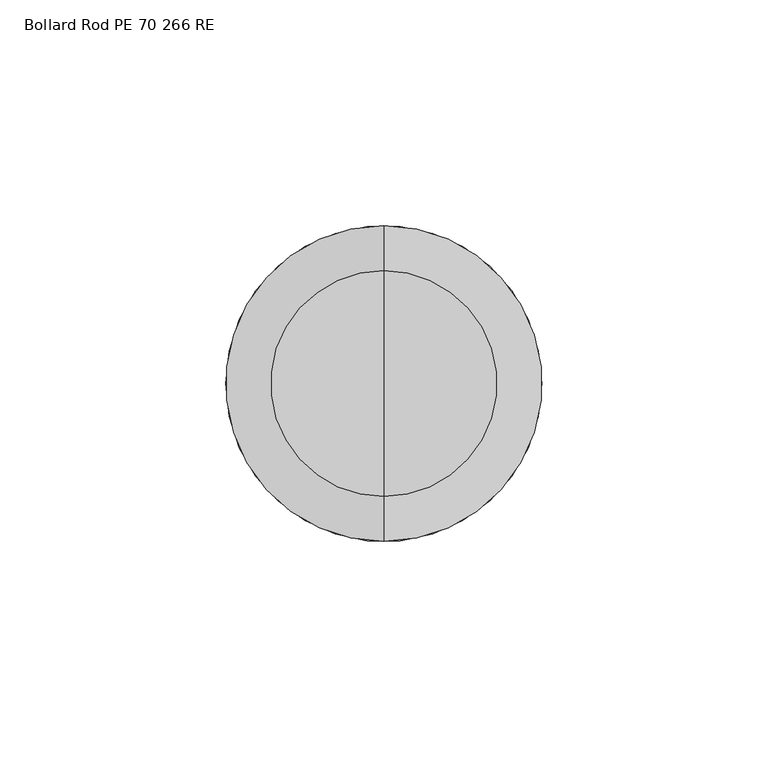
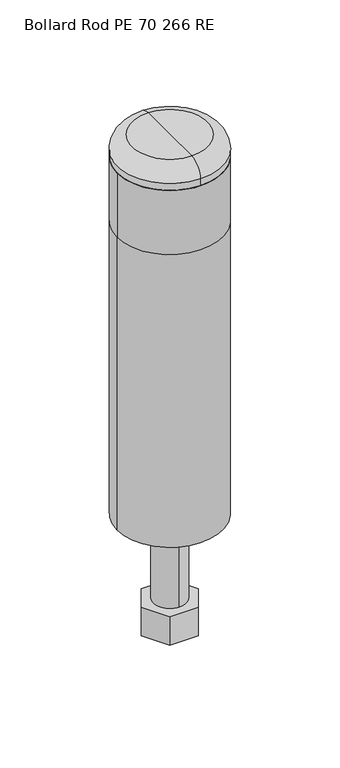
"""IFC4 building model written with IfcOpenShell, lengths in millimetres: proxy geometry, Bollard Rod PE 70 266 RE."""

import ifcopenshell
import ifcopenshell.guid

model = None  # the IFC model being written
_history = None  # IfcOwnerHistory: only IFC2X3 demands one
_inside = {}  # id of a spatial element -> (the spatial element, [elements in it])
_under = {}  # id of a project, library or spatial element -> (it, [spatial elements below it])
_declared = {}  # id of a project -> (the project, [libraries it declares])
_typed = {}  # id of a type object -> (the type object, [elements of that type])
_made_of = {}  # id of a material, layer set ... -> (it, [elements and type objects made of it])


def new_model(schema):
    """Start an empty IFC model of exactly this schema.

    Asked for "IFC4X3", IfcOpenShell would pick the latest addendum, in which some entities
    have other attributes; the version numbers below select the first issue.
    IFC2X3 requires an IfcOwnerHistory on every rooted entity: one is made here for all.
    """
    global model, _history
    if schema == "IFC4X3":
        model = ifcopenshell.file(schema_version=(4, 3, 0, 0))
    else:
        model = ifcopenshell.file(schema=schema)
    _inside.clear()
    _under.clear()
    _declared.clear()
    _typed.clear()
    _made_of.clear()
    _history = None
    if model.schema == "IFC2X3":
        org = make("IfcOrganization", Name="unknown")
        user = make(
            "IfcPersonAndOrganization",
            ThePerson=make("IfcPerson", FamilyName="unknown"),
            TheOrganization=org,
        )
        app = make(
            "IfcApplication",
            ApplicationDeveloper=org,
            Version="unknown",
            ApplicationFullName="unknown",
            ApplicationIdentifier="unknown",
        )
        _history = make(
            "IfcOwnerHistory",
            OwningUser=user,
            OwningApplication=app,
            ChangeAction="ADDED",
            CreationDate=0,
        )
    return model


def make(cls, **values):
    """One entity of the class cls with the attributes given. An attribute that is None is left unset."""
    return model.create_entity(
        cls, **{name: value for name, value in values.items() if value is not None}
    )


def rooted(cls, **values):
    """An entity with a GlobalId (a new one), such as an element, a storey or a relation."""
    return make(cls, GlobalId=ifcopenshell.guid.new(), OwnerHistory=_history, **values)


def si_unit(unit_type, name, prefix=None):
    """IfcSIUnit, for example si_unit("LENGTHUNIT", "METRE", prefix="MILLI")."""
    return make("IfcSIUnit", UnitType=unit_type, Prefix=prefix, Name=name)


def assignment(units):
    """IfcUnitAssignment: the units of a project."""
    return None if units is None else make("IfcUnitAssignment", Units=units)


def point(xyz):
    """IfcCartesianPoint."""
    return None if xyz is None else make("IfcCartesianPoint", Coordinates=xyz)


def direction(xyz):
    """IfcDirection."""
    return None if xyz is None else make("IfcDirection", DirectionRatios=xyz)


def frame(location, z_axis=None, x_axis=None):
    """IfcAxis2Placement3D, a coordinate frame: its origin and axes. An axis left out is left unset."""
    return make(
        "IfcAxis2Placement3D",
        Location=point(location),
        Axis=direction(z_axis),
        RefDirection=direction(x_axis),
    )


def frame_2d(location, x_axis=None):
    """IfcAxis2Placement2D, a coordinate frame in the plane: its origin and x axis."""
    return make(
        "IfcAxis2Placement2D", Location=point(location), RefDirection=direction(x_axis)
    )


def origin():
    """The frame at (0, 0, 0) with its axes left unset."""
    return frame((0.0, 0.0, 0.0))


def origin_with_axes():
    """The frame at (0, 0, 0) with the z axis (0, 0, 1) and the x axis (1, 0, 0) written out."""
    return frame((0.0, 0.0, 0.0), z_axis=(0.0, 0.0, 1.0), x_axis=(1.0, 0.0, 0.0))


def origin_2d():
    """The frame at (0, 0) in the plane with its x axis left unset."""
    return frame_2d((0.0, 0.0))


def place(relative_to, where):
    """IfcLocalPlacement: puts the frame where relative to a parent placement (None: the world)."""
    return make(
        "IfcLocalPlacement", PlacementRelTo=relative_to, RelativePlacement=where
    )


def context(
    kind, dimensions, precision=None, world=None, true_north=None, identifier=None
):
    """IfcGeometricRepresentationContext, for example the 3D "Model" context."""
    return make(
        "IfcGeometricRepresentationContext",
        ContextIdentifier=identifier,
        ContextType=kind,
        CoordinateSpaceDimension=dimensions,
        Precision=precision,
        WorldCoordinateSystem=world,
        TrueNorth=true_north,
    )


def project(units=None, contexts=None):
    """IfcProject with its units and contexts."""
    return rooted(
        "IfcProject",
        Name="project",
        RepresentationContexts=contexts,
        UnitsInContext=assignment(units),
    )


def spatial(cls, under=None, at=None, **own):
    """A site, building, storey or space (cls), placed at a placement, below another one or the project."""
    s = rooted(cls, ObjectPlacement=at, **own)
    if under is not None:
        _under.setdefault(under.id(), (under, []))[1].append(s)
    return s


def polyline(points):
    """IfcPolyline through the points."""
    return make("IfcPolyline", Points=[point(p) for p in points])


def circle_curve(where, radius):
    """IfcCircle in the frame where."""
    return make("IfcCircle", Position=where, Radius=radius)


def ellipse_curve(where, semi_axis1, semi_axis2):
    """IfcEllipse in the frame where."""
    return make(
        "IfcEllipse", Position=where, SemiAxis1=semi_axis1, SemiAxis2=semi_axis2
    )


def trimmed(basis, trim1, trim2, sense, master):
    """IfcTrimmedCurve: the piece of a basis curve between two trims."""
    return make(
        "IfcTrimmedCurve",
        BasisCurve=basis,
        Trim1=trim1,
        Trim2=trim2,
        SenseAgreement=sense,
        MasterRepresentation=master,
    )


def segment(curve, same_sense, transition):
    """IfcCompositeCurveSegment."""
    return make(
        "IfcCompositeCurveSegment",
        Transition=transition,
        SameSense=same_sense,
        ParentCurve=curve,
    )


def composite_curve(segments, self_intersect=None):
    """IfcCompositeCurve: segments joined end to end."""
    return make("IfcCompositeCurve", Segments=segments, SelfIntersect=self_intersect)


def outline(outer, holes=None, kind="AREA"):
    """IfcArbitraryClosedProfileDef: a profile drawn as a closed curve; with holes, ...WithVoids."""
    if holes is None:
        return make("IfcArbitraryClosedProfileDef", ProfileType=kind, OuterCurve=outer)
    return make(
        "IfcArbitraryProfileDefWithVoids",
        ProfileType=kind,
        OuterCurve=outer,
        InnerCurves=holes,
    )


def extrude(swept, where, along, depth):
    """IfcExtrudedAreaSolid: the profile swept, set in the frame where, extruded along a direction by depth."""
    return make(
        "IfcExtrudedAreaSolid",
        SweptArea=swept,
        Position=where,
        ExtrudedDirection=direction(along),
        Depth=depth,
    )


def shape(context_of_items, identifier, shape_type, items):
    """IfcShapeRepresentation: the items that make up one representation, for example the "Body"."""
    return make(
        "IfcShapeRepresentation",
        ContextOfItems=context_of_items,
        RepresentationIdentifier=identifier,
        RepresentationType=shape_type,
        Items=items,
    )


def source(mapping_origin, context_of_items, identifier, shape_type, items):
    """IfcRepresentationMap: a shape defined once, which mapped items show again and again."""
    return make(
        "IfcRepresentationMap",
        MappingOrigin=mapping_origin,
        MappedRepresentation=shape(context_of_items, identifier, shape_type, items),
    )


def transform(
    local_origin,
    x_axis=None,
    y_axis=None,
    z_axis=None,
    scale=None,
    scale2=None,
    scale3=None,
    uniform=True,
):
    """IfcCartesianTransformationOperator3D, or its non-uniform kind. x_axis, y_axis, z_axis: its Axis1, 2, 3."""
    if uniform:
        return make(
            "IfcCartesianTransformationOperator3D",
            Axis1=direction(x_axis),
            Axis2=direction(y_axis),
            LocalOrigin=point(local_origin),
            Scale=scale,
            Axis3=direction(z_axis),
        )
    return make(
        "IfcCartesianTransformationOperator3DnonUniform",
        Axis1=direction(x_axis),
        Axis2=direction(y_axis),
        LocalOrigin=point(local_origin),
        Scale=scale,
        Axis3=direction(z_axis),
        Scale2=scale2,
        Scale3=scale3,
    )


def mapped(mapping_source, mapping_target):
    """IfcMappedItem: shows the shape of a source again, moved by a transform."""
    return make(
        "IfcMappedItem", MappingSource=mapping_source, MappingTarget=mapping_target
    )


def made_of(thing, what):
    """Note that an element or type object is made of a material, layer set ...; save() writes the relation."""
    if what is not None:
        _made_of.setdefault(what.id(), (what, []))[1].append(thing)
    return thing


def element(
    cls,
    number,
    at=None,
    inside=None,
    cuts=None,
    type_object=None,
    material=None,
    context=None,
    identifier="Body",
    shape_type=None,
    held_by="IfcProductDefinitionShape",
    body=None,
    shapes=None,
    **own,
):
    """One element of the class cls, such as IfcWall. Its Tag is "e" and its number.

    at: its placement. inside: the storey or other place that contains it. cuts: it is an
    opening in that element (IfcRelVoidsElement). A single representation is given by context,
    identifier, shape_type and body (its items); several are given by shapes. held_by: the class
    of the entity that holds the representations. save() writes the other relations.
    """
    e = rooted(cls, Tag="e%d" % number, ObjectPlacement=at, **own)
    if body is not None:
        shapes = [shape(context, identifier, shape_type, body)]
    if shapes is not None:
        e.Representation = make(held_by, Representations=shapes)
    if inside is not None:
        _inside.setdefault(inside.id(), (inside, []))[1].append(e)
    if cuts is not None:
        rooted(
            "IfcRelVoidsElement", RelatingBuildingElement=cuts, RelatedOpeningElement=e
        )
    if type_object is not None:
        _typed.setdefault(type_object.id(), (type_object, []))[1].append(e)
    return made_of(e, material)


def aggregate(whole, parts):
    """IfcRelAggregates: a whole, such as a stair, and the parts it consists of."""
    return rooted("IfcRelAggregates", RelatingObject=whole, RelatedObjects=parts)


def save(model, path):
    """Write the relations noted so far, then the file.

    IfcRelAggregates (storeys below a building ...), IfcRelContainedInSpatialStructure (elements
    in a storey), IfcRelDefinesByType, IfcRelAssociatesMaterial and IfcRelDeclares: one each for
    every whole, place, type object, material and project.
    """
    for whole, parts in _under.values():
        aggregate(whole, parts)
    for where, things in _inside.values():
        rooted(
            "IfcRelContainedInSpatialStructure",
            RelatedElements=things,
            RelatingStructure=where,
        )
    for kind, things in _typed.values():
        rooted("IfcRelDefinesByType", RelatedObjects=things, RelatingType=kind)
    for what, things in _made_of.values():
        rooted("IfcRelAssociatesMaterial", RelatedObjects=things, RelatingMaterial=what)
    for by, libraries in _declared.values():
        rooted("IfcRelDeclares", RelatingContext=by, RelatedDefinitions=libraries)
    model.write(path)


def plane_surface(at):
    """IfcPlane: the flat surface through the origin of the frame at, square to its z axis."""
    return make("IfcPlane", Position=at)


def cylinder_surface(at, radius):
    """IfcCylindricalSurface: all points at the distance radius from the z axis of the frame at."""
    return make("IfcCylindricalSurface", Position=at, Radius=radius)


def revolved_surface(curve, axis_point, axis_direction):
    """IfcSurfaceOfRevolution: the curve turned about the line through axis_point along axis_direction."""
    return make(
        "IfcSurfaceOfRevolution",
        SweptCurve=make("IfcArbitraryOpenProfileDef", ProfileType="CURVE", Curve=curve),
        AxisPosition=make("IfcAxis1Placement", Location=point(axis_point), Axis=direction(axis_direction)),
    )


def advanced_brep(points, edges, surfaces, faces):
    """IfcAdvancedBrep: a solid bounded by faces that lie on surfaces and meet in shared edges.

    An edge is (start, end): straight between two places in points (the first is 0);
    or (start, end, curve); or (start, end, curve, False) where it runs against its curve.
    A face is (place in surfaces, loops), or (place, loops, False) where it looks against
    its surface's normal. A loop lists edges by number (the first is 1), with a minus sign
    where the edge is run from its end to its start. The first loop is the outer one.
    """
    corners = [point(p) for p in points]
    vertices = [make("IfcVertexPoint", VertexGeometry=c) for c in corners]
    made = []
    for start, end, *more in edges:
        made.append(
            make(
                "IfcEdgeCurve",
                EdgeStart=vertices[start],
                EdgeEnd=vertices[end],
                EdgeGeometry=more[0] if more else make("IfcPolyline", Points=[corners[start], corners[end]]),
                SameSense=more[1] if len(more) > 1 else True,
            )
        )
    hull = []
    for where, loops, *sense in faces:
        bounds = []
        for j, loop in enumerate(loops):
            ring = [make("IfcOrientedEdge", EdgeElement=made[abs(k) - 1], Orientation=k > 0) for k in loop]
            bounds.append(
                make(
                    "IfcFaceOuterBound" if j == 0 else "IfcFaceBound",
                    Bound=make("IfcEdgeLoop", EdgeList=ring),
                    Orientation=True,
                )
            )
        hull.append(make("IfcAdvancedFace", Bounds=bounds, FaceSurface=surfaces[where], SameSense=sense[0] if sense else True))
    return make("IfcAdvancedBrep", Outer=make("IfcClosedShell", CfsFaces=hull))


def bollard_rod_pe_70_266_re_b91f8a20(model_context):
    return source(origin(), model_context, "Body", "SolidModel", [
        advanced_brep(
        [(35.0, 0.0, 251.0), (-35.0, 0.0, 251.0), (25.0, 0.0, 251.0), (-25.0, 0.0, 251.0), (35.0, 0.0, 206.0), (-35.0, 0.0, 206.0), (25.0, 0.0, 206.0), (-25.0, 0.0, 206.0), (-10.0, 0.0, 206.0), (10.0, 0.0, 206.0), (-35.0, 0.0, 0.0), (35.0, 0.0, 0.0), (-10.0, 0.0, 0.0), (10.0, 0.0, 0.0)],
        [
            (0, 1, circle_curve(frame((0.0, 0.0, 251.0), z_axis=(0.0, 0.0, 1.0), x_axis=(-1.0, 0.0, 0.0)), 35.0)),
            (1, 0, circle_curve(frame((0.0, 0.0, 251.0), z_axis=(0.0, 0.0, 1.0), x_axis=(-1.0, 0.0, 0.0)), 35.0)),
            (2, 3, circle_curve(frame((0.0, 0.0, 251.0), z_axis=(0.0, 0.0, -1.0), x_axis=(-1.0, 0.0, 0.0)), 25.0)),
            (3, 2, circle_curve(frame((0.0, 0.0, 251.0), z_axis=(0.0, 0.0, -1.0), x_axis=(-1.0, 0.0, 0.0)), 25.0)),
            (0, 4),
            (4, 5, circle_curve(frame((0.0, 0.0, 206.0), z_axis=(0.0, 0.0, 1.0), x_axis=(-1.0, 0.0, 0.0)), 35.0)),
            (5, 1),
            (5, 4, circle_curve(frame((0.0, 0.0, 206.0), z_axis=(0.0, 0.0, 1.0), x_axis=(-1.0, 0.0, 0.0)), 35.0)),
            (2, 6),
            (6, 7, circle_curve(frame((0.0, 0.0, 206.0), z_axis=(0.0, 0.0, -1.0), x_axis=(-1.0, 0.0, 0.0)), 25.0)),
            (7, 3),
            (7, 6, circle_curve(frame((0.0, 0.0, 206.0), z_axis=(0.0, 0.0, -1.0), x_axis=(-1.0, 0.0, 0.0)), 25.0)),
            (8, 9, circle_curve(frame((0.0, 0.0, 206.0), z_axis=(0.0, 0.0, -1.0), x_axis=(1.0, 0.0, 0.0)), 10.0)),
            (9, 8, circle_curve(frame((0.0, 0.0, 206.0), z_axis=(0.0, 0.0, -1.0), x_axis=(1.0, 0.0, 0.0)), 10.0)),
            (10, 11, circle_curve(frame((0.0, 0.0, 0.0), z_axis=(0.0, 0.0, -1.0), x_axis=(1.0, 0.0, 0.0)), 35.0)),
            (11, 10, circle_curve(frame((0.0, 0.0, 0.0), z_axis=(0.0, 0.0, -1.0), x_axis=(1.0, 0.0, 0.0)), 35.0)),
            (12, 13, circle_curve(origin_with_axes(), 10.0)),
            (13, 12, circle_curve(origin_with_axes(), 10.0)),
            (11, 4),
            (5, 10),
            (8, 12),
            (13, 9),
        ],
        [
            plane_surface(frame((-35.0, 0.0, 251.0), z_axis=(0.0, 0.0, 1.0), x_axis=(0.0, -1.0, 0.0))),
            cylinder_surface(frame((0.0, 0.0, 206.0), z_axis=(0.0, 0.0, 1.0), x_axis=(-1.0, 0.0, 0.0)), 35.0),
            revolved_surface(polyline([(-25.0, 0.0, 206.0), (-25.0, 0.0, 251.0)]), (0.0, 0.0, 206.0), (0.0, 0.0, -1.0)),
            plane_surface(frame((35.0, 0.0, 206.0), z_axis=(0.0, 0.0, 1.0), x_axis=(0.0, 1.0, 0.0))),
            plane_surface(frame((35.0, 0.0, 0.0), z_axis=(0.0, 0.0, -1.0), x_axis=(0.0, -1.0, 0.0))),
            cylinder_surface(origin_with_axes(), 35.0),
            revolved_surface(polyline([(10.0, 0.0, 0.0), (10.0, 0.0, 206.0)]), (0.0, 0.0, 0.0), (0.0, 0.0, -1.0)),
        ],
        [
            (0, [[1, 2], [3, 4]]),
            (1, [[-1, 5, 6, 7]]),
            (1, [[-2, -7, 8, -5]]),
            (2, [[-3, 9, 10, 11]]),
            (2, [[-4, -11, 12, -9]]),
            (3, [[-10, -12], [13, 14]]),
            (4, [[15, 16], [17, 18]]),
            (5, [[-16, 19, -8, 20]]),
            (5, [[-15, -20, -6, -19]]),
            (6, [[-13, 21, -18, 22]]),
            (6, [[-14, -22, -17, -21]]),
        ],
    ),
        extrude(outline(polyline([(9.5, 16.4544827), (19.0, 0.0), (9.5, -16.4544827), (-9.5, -16.4544827), (-19.0, 0.0), (-9.5, 16.4544827), (9.5, 16.4544827)]), holes=[composite_curve([segment(trimmed(circle_curve(origin_2d(), 10.0), [point((0.0, 10.0))], [point((0.0, -10.0))], True, "CARTESIAN"), True, "CONTINUOUS"), segment(trimmed(circle_curve(origin_2d(), 10.0), [point((0.0, -10.0))], [point((0.0, 10.0))], True, "CARTESIAN"), True, "CONTINUOUS")], self_intersect=False)]), frame((0.0, 0.0, 208.0), z_axis=(0.0, 0.0, 1.0), x_axis=(1.0, 0.0, 0.0)), (0.0, 0.0, 1.0), 20.0),
        extrude(outline(composite_curve([segment(trimmed(circle_curve(origin_2d(), 20.0), [point((20.0, 0.0))], [point((-20.0, 0.0))], False, "CARTESIAN"), True, "CONTINUOUS"), segment(trimmed(circle_curve(origin_2d(), 20.0), [point((-20.0, 0.0))], [point((20.0, 0.0))], False, "CARTESIAN"), True, "CONTINUOUS")], self_intersect=False), holes=[composite_curve([segment(trimmed(circle_curve(origin_2d(), 10.0), [point((0.0, 10.0))], [point((0.0, -10.0))], True, "CARTESIAN"), True, "CONTINUOUS"), segment(trimmed(circle_curve(origin_2d(), 10.0), [point((0.0, -10.0))], [point((0.0, 10.0))], True, "CARTESIAN"), True, "CONTINUOUS")], self_intersect=False)]), frame((0.0, 0.0, 206.0), z_axis=(0.0, 0.0, 1.0), x_axis=(1.0, 0.0, 0.0)), (0.0, 0.0, 1.0), 2.0),
        extrude(outline(polyline([(9.5, 16.4544827), (19.0, 0.0), (9.5, -16.4544827), (-9.5, -16.4544827), (-19.0, 0.0), (-9.5, 16.4544827), (9.5, 16.4544827)]), holes=[composite_curve([segment(trimmed(circle_curve(origin_2d(), 10.0), [point((0.0, 10.0))], [point((0.0, -10.0))], True, "CARTESIAN"), True, "CONTINUOUS"), segment(trimmed(circle_curve(origin_2d(), 10.0), [point((0.0, -10.0))], [point((0.0, 10.0))], True, "CARTESIAN"), True, "CONTINUOUS")], self_intersect=False)]), frame((0.0, 0.0, -80.0), z_axis=(0.0, 0.0, 1.0), x_axis=(1.0, 0.0, 0.0)), (0.0, 0.0, 1.0), 20.0),
        extrude(outline(composite_curve([segment(trimmed(circle_curve(origin_2d(), 10.0), [point((0.0, 10.0))], [point((0.0, -10.0))], False, "CARTESIAN"), True, "CONTINUOUS"), segment(trimmed(circle_curve(origin_2d(), 10.0), [point((0.0, -10.0))], [point((0.0, 10.0))], False, "CARTESIAN"), True, "CONTINUOUS")], self_intersect=False)), frame((0.0, 0.0, -85.0), z_axis=(0.0, 0.0, 1.0), x_axis=(1.0, 0.0, 0.0)), (0.0, 0.0, 1.0), 321.0),
        extrude(outline(composite_curve([segment(trimmed(circle_curve(origin_2d(), 11.0), [point((0.0, -11.0))], [point((0.0, 11.0))], False, "CARTESIAN"), True, "CONTINUOUS"), segment(trimmed(circle_curve(origin_2d(), 11.0), [point((0.0, 11.0))], [point((0.0, -11.0))], False, "CARTESIAN"), True, "CONTINUOUS")], self_intersect=False), holes=[composite_curve([segment(trimmed(circle_curve(origin_2d(), 10.0), [point((0.0, -10.0))], [point((0.0, 10.0))], True, "CARTESIAN"), True, "CONTINUOUS"), segment(trimmed(circle_curve(origin_2d(), 10.0), [point((0.0, 10.0))], [point((0.0, -10.0))], True, "CARTESIAN"), True, "CONTINUOUS")], self_intersect=False)]), frame((0.0, 0.0, -60.0), z_axis=(0.0, 0.0, 1.0), x_axis=(1.0, 0.0, 0.0)), (0.0, 0.0, 1.0), 60.0),
        advanced_brep(
        [(0.0, 25.0, 266.0), (0.0, -25.0, 266.0), (0.0, 0.0, 266.0), (0.0, 35.0, 256.0), (0.0, -35.0, 256.0), (0.0, 35.0, 251.0), (0.0, -35.0, 251.0), (0.0, 0.0, 251.0), (0.0, -20.0, 251.0), (0.0, 20.0, 251.0), (0.0, 25.0, 251.0), (0.0, -25.0, 251.0), (0.0, 25.0, 241.0), (0.0, -25.0, 241.0), (0.0, 20.0, 241.0), (0.0, -20.0, 241.0)],
        [
            (0, 1, circle_curve(frame((0.0, 0.0, 266.0), z_axis=(0.0, 0.0, 1.0), x_axis=(0.0, -1.0, 0.0)), 25.0)),
            (1, 2),
            (2, 0),
            (1, 0, circle_curve(frame((0.0, 0.0, 266.0), z_axis=(0.0, 0.0, 1.0), x_axis=(0.0, -1.0, 0.0)), 25.0)),
            (3, 4, circle_curve(frame((0.0, 0.0, 256.0), z_axis=(0.0, 0.0, 1.0), x_axis=(0.0, -1.0, 0.0)), 35.0)),
            (4, 1, circle_curve(frame((0.0, -25.0, 256.0), z_axis=(-1.0, 0.0, 0.0), x_axis=(0.0, 1.0, 0.0)), 10.0)),
            (0, 3, circle_curve(frame((0.0, 25.0, 256.0), z_axis=(-1.0, 0.0, 0.0), x_axis=(0.0, -1.0, 0.0)), 10.0)),
            (4, 3, circle_curve(frame((0.0, 0.0, 256.0), z_axis=(0.0, 0.0, 1.0), x_axis=(0.0, -1.0, 0.0)), 35.0)),
            (5, 6, circle_curve(frame((0.0, 0.0, 251.0), z_axis=(0.0, 0.0, 1.0), x_axis=(0.0, -1.0, 0.0)), 35.0)),
            (6, 4),
            (3, 5),
            (6, 5, circle_curve(frame((0.0, 0.0, 251.0), z_axis=(0.0, 0.0, 1.0), x_axis=(0.0, -1.0, 0.0)), 35.0)),
            (7, 8),
            (8, 9, circle_curve(frame((0.0, 0.0, 251.0), z_axis=(0.0, 0.0, -1.0), x_axis=(0.0, -1.0, 0.0)), 20.0)),
            (9, 7),
            (9, 8, circle_curve(frame((0.0, 0.0, 251.0), z_axis=(0.0, 0.0, -1.0), x_axis=(0.0, -1.0, 0.0)), 20.0)),
            (10, 11, circle_curve(frame((0.0, 0.0, 251.0), z_axis=(0.0, 0.0, 1.0), x_axis=(0.0, -1.0, 0.0)), 25.0)),
            (11, 6),
            (5, 10),
            (11, 10, circle_curve(frame((0.0, 0.0, 251.0), z_axis=(0.0, 0.0, 1.0), x_axis=(0.0, -1.0, 0.0)), 25.0)),
            (12, 13, circle_curve(frame((0.0, 0.0, 241.0), z_axis=(0.0, 0.0, 1.0), x_axis=(0.0, -1.0, 0.0)), 25.0)),
            (13, 11),
            (10, 12),
            (13, 12, circle_curve(frame((0.0, 0.0, 241.0), z_axis=(0.0, 0.0, 1.0), x_axis=(0.0, -1.0, 0.0)), 25.0)),
            (14, 15, circle_curve(frame((0.0, 0.0, 241.0), z_axis=(0.0, 0.0, 1.0), x_axis=(0.0, -1.0, 0.0)), 20.0)),
            (15, 13),
            (12, 14),
            (15, 14, circle_curve(frame((0.0, 0.0, 241.0), z_axis=(0.0, 0.0, 1.0), x_axis=(0.0, -1.0, 0.0)), 20.0)),
            (8, 15),
            (14, 9),
        ],
        [
            plane_surface(frame((0.0, 0.0, 266.0), z_axis=(0.0, 0.0, 1.0), x_axis=(0.0, -1.0, 0.0))),
            revolved_surface(trimmed(ellipse_curve(frame((0.0, -25.0, 256.0), z_axis=(1.0, 0.0, 0.0), x_axis=(0.0, 1.0, 0.0)), 10.0, 10.0), [point((0.0, -25.0, 266.0))], [point((0.0, -35.0, 256.0))], True, "CARTESIAN"), (0.0, 0.0, 2741.4742198), (0.0, 0.0, -1.0)),
            cylinder_surface(frame((0.0, 0.0, 2741.4742198), z_axis=(0.0, 0.0, -1.0), x_axis=(0.0, -1.0, 0.0)), 35.0),
            plane_surface(frame((0.0, 0.0, 251.0), z_axis=(0.0, 0.0, -1.0), x_axis=(0.0, -1.0, 0.0))),
            cylinder_surface(frame((0.0, 0.0, 2741.4742198), z_axis=(0.0, 0.0, -1.0), x_axis=(0.0, -1.0, 0.0)), 25.0),
            plane_surface(frame((0.0, 0.0, 241.0), z_axis=(0.0, 0.0, -1.0), x_axis=(0.0, -1.0, 0.0))),
            revolved_surface(polyline([(0.0, -20.0, 241.0), (0.0, -20.0, 251.0)]), (0.0, 0.0, 2741.4742198), (0.0, 0.0, -1.0)),
        ],
        [
            (0, [[1, 2, 3]]),
            (0, [[4, -3, -2]]),
            (1, [[5, 6, -1, 7]]),
            (1, [[8, -7, -4, -6]]),
            (2, [[9, 10, -5, 11]]),
            (2, [[12, -11, -8, -10]]),
            (3, [[13, 14, 15]]),
            (3, [[-15, 16, -13]]),
            (3, [[17, 18, -9, 19]]),
            (3, [[20, -19, -12, -18]]),
            (4, [[21, 22, -17, 23]]),
            (4, [[24, -23, -20, -22]]),
            (5, [[25, 26, -21, 27]]),
            (5, [[28, -27, -24, -26]]),
            (6, [[-14, 29, -25, 30]]),
            (6, [[-16, -30, -28, -29]]),
        ],
    ),
    ])


if __name__ == "__main__":
    model = new_model("IFC4")
    model_context = context("Model", 3, world=origin())
    ifc_project = project(units=[si_unit("LENGTHUNIT", "METRE", prefix="MILLI")], contexts=[model_context])
    site = spatial("IfcSite", under=ifc_project)
    building = spatial("IfcBuilding", under=site)
    placement = place(None, origin())
    bollard_rod_pe_70_266_re_shape = bollard_rod_pe_70_266_re_b91f8a20(model_context)
    element("IfcBuildingElementProxy", 1, Name="Bollard Rod PE 70 266 RE", ObjectType="Bollard Rod PE 70 266 RE", at=placement, inside=building, context=model_context, shape_type="MappedRepresentation", body=[
        mapped(bollard_rod_pe_70_266_re_shape, transform((0.0, 0.0, 0.0), x_axis=(1.0, 0.0, 0.0), y_axis=(0.0, 1.0, 0.0), z_axis=(0.0, 0.0, 1.0))),
    ])
    save(model, "model.ifc")
